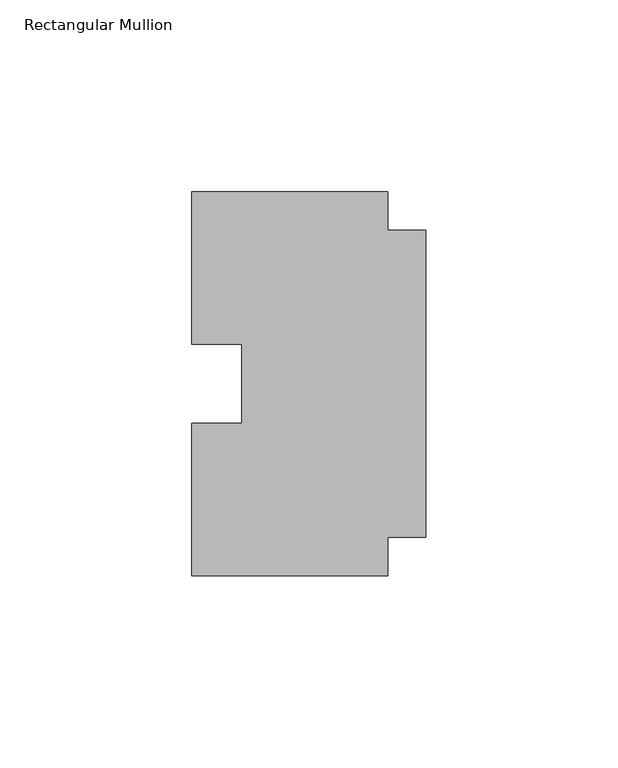
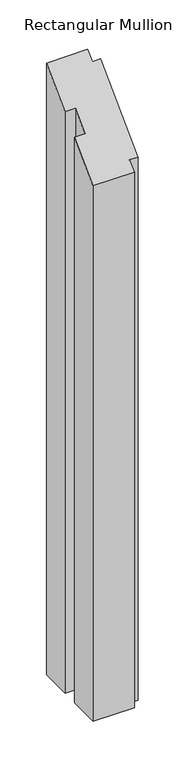
"""IFC4 building model written with IfcOpenShell, lengths in millimetres: member geometry, Rectangular Mullion."""

from ifc_helpers import new_model, si_unit, origin, place, context, project, spatial, faceted_brep, source, transform, mapped, element, save


def rectangular_mullion_eacceeab(model_context):
    return source(origin(), model_context, "Body", "Brep", [
        faceted_brep([(-10.0, -40.0, -750.0), (-10.0, -50.0, -750.0), (-61.0, -50.0, -750.0), (-61.0, -10.25, -750.0), (-48.0, -10.25, -750.0), (-48.0, 10.25, -750.0), (-61.0, 10.25, -750.0), (-61.0, 50.0, -750.0), (-10.0, 50.0, -750.0), (-10.0, 40.0, -750.0), (0.0, 40.0, -750.0), (0.0, -40.0, -750.0), (0.0, -40.0, -40.0), (-10.0, -40.0, -40.0), (0.0, 40.0, 40.0), (-10.0, 40.0, 40.0), (-10.0, 50.0, 50.0), (-61.0, 50.0, 50.0), (-61.0, 10.25, 10.25), (-48.0, 10.25, 10.25), (-48.0, -10.25, -10.25), (-61.0, -10.25, -10.25), (-61.0, -50.0, -50.0), (-10.0, -50.0, -50.0)], [[[0, 1, 2, 3, 4, 5, 6, 7, 8, 9, 10, 11]], [[12, 13, 0, 11]], [[14, 12, 11, 10]], [[15, 14, 10, 9]], [[16, 15, 9, 8]], [[17, 16, 8, 7]], [[18, 17, 7, 6]], [[19, 18, 6, 5]], [[20, 19, 5, 4]], [[21, 20, 4, 3]], [[22, 21, 3, 2]], [[23, 22, 2, 1]], [[13, 23, 1, 0]], [[13, 12, 14, 15, 16, 17, 18, 19, 20, 21, 22, 23]]]),
    ])


if __name__ == "__main__":
    model = new_model("IFC4")
    model_context = context("Model", 3, world=origin())
    ifc_project = project(units=[si_unit("LENGTHUNIT", "METRE", prefix="MILLI")], contexts=[model_context])
    site = spatial("IfcSite", under=ifc_project)
    building = spatial("IfcBuilding", under=site)
    placement = place(None, origin())
    rectangular_mullion_shape = rectangular_mullion_eacceeab(model_context)
    element("IfcMember", 1, ObjectType="Rectangular Mullion", at=placement, inside=building, context=model_context, shape_type="MappedRepresentation", body=[
        mapped(rectangular_mullion_shape, transform((0.0, 0.0, 0.0), x_axis=(1.0, 0.0, 0.0), y_axis=(0.0, 1.0, 0.0), z_axis=(0.0, 0.0, 1.0))),
    ])
    save(model, "model.ifc")
